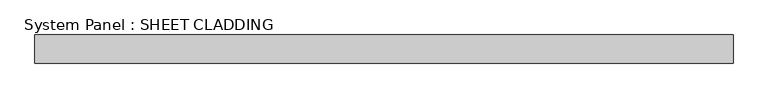
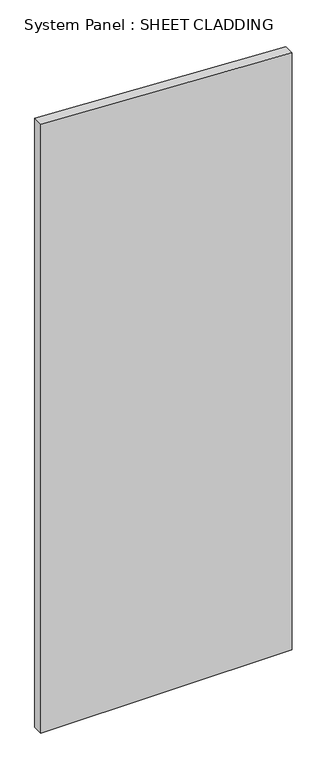
"""IFC4 building model written with IfcOpenShell, lengths in millimetres: plate geometry, System Panel : SHEET CLADDING."""

from ifc_helpers import new_model, si_unit, frame, origin, place, context, project, spatial, polyline, outline, extrude, source, transform, mapped, element, save


def system_panel_sheet_cladding_8e0e76b3(model_context):
    return source(origin(), model_context, "Body", "SweptSolid", [
        extrude(outline(polyline([(0.0, -735.4591837), (0.0, 735.4591837), (3693.2632653, 735.4591837), (3766.8091837, -735.4591837), (0.0, -735.4591837)])), frame((0.0, -10.5, 0.0), z_axis=(0.0, 1.0, 0.0), x_axis=(0.0, 0.0, 1.0)), (0.0, 0.0, 1.0), 60.0),
    ])


if __name__ == "__main__":
    model = new_model("IFC4")
    model_context = context("Model", 3, world=origin())
    ifc_project = project(units=[si_unit("LENGTHUNIT", "METRE", prefix="MILLI")], contexts=[model_context])
    site = spatial("IfcSite", under=ifc_project)
    building = spatial("IfcBuilding", under=site)
    placement = place(None, origin())
    system_panel_sheet_cladding_shape = system_panel_sheet_cladding_8e0e76b3(model_context)
    element("IfcPlate", 1, ObjectType="System Panel : SHEET CLADDING", at=placement, inside=building, context=model_context, shape_type="MappedRepresentation", body=[
        mapped(system_panel_sheet_cladding_shape, transform((0.0, 0.0, 0.0), x_axis=(1.0, 0.0, 0.0), y_axis=(0.0, 1.0, 0.0), z_axis=(0.0, 0.0, 1.0))),
    ])
    save(model, "model.ifc")
